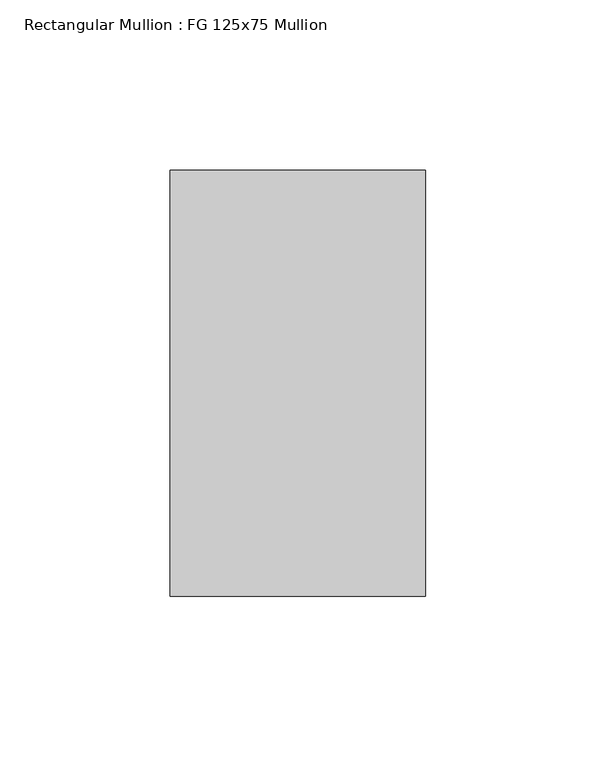
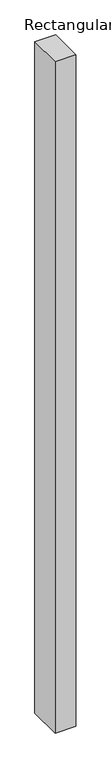
"""IFC4 building model written with IfcOpenShell, lengths in millimetres: member geometry, Rectangular Mullion : FG 125x75 Mullion."""

from ifc_helpers import new_model, si_unit, frame, origin, place, context, project, spatial, polyline, outline, extrude, source, transform, mapped, element, save


def rectangular_mullion_fg_125x75_mullion_2b659826(model_context):
    return source(origin(), model_context, "Body", "SweptSolid", [
        extrude(outline(polyline([(37.5, 62.5), (37.5, -62.5), (-37.5, -62.5), (-37.5, 62.5), (37.5, 62.5)])), frame((0.0, 0.0, -2545.0), z_axis=(0.0, 0.0, 1.0), x_axis=(1.0, 0.0, 0.0)), (0.0, 0.0, 1.0), 2545.0),
    ])


if __name__ == "__main__":
    model = new_model("IFC4")
    model_context = context("Model", 3, world=origin())
    ifc_project = project(units=[si_unit("LENGTHUNIT", "METRE", prefix="MILLI")], contexts=[model_context])
    site = spatial("IfcSite", under=ifc_project)
    building = spatial("IfcBuilding", under=site)
    placement = place(None, origin())
    rectangular_mullion_fg_125x75_mullion_shape = rectangular_mullion_fg_125x75_mullion_2b659826(model_context)
    element("IfcMember", 1, ObjectType="Rectangular Mullion : FG 125x75 Mullion", at=placement, inside=building, context=model_context, shape_type="MappedRepresentation", body=[
        mapped(rectangular_mullion_fg_125x75_mullion_shape, transform((0.0, 0.0, 0.0), x_axis=(1.0, 0.0, 0.0), y_axis=(0.0, 1.0, 0.0), z_axis=(0.0, 0.0, 1.0))),
    ])
    save(model, "model.ifc")
